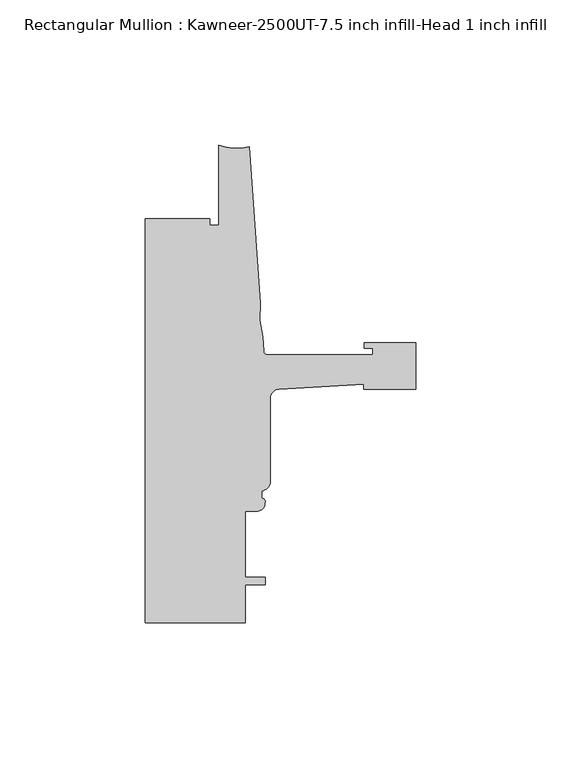
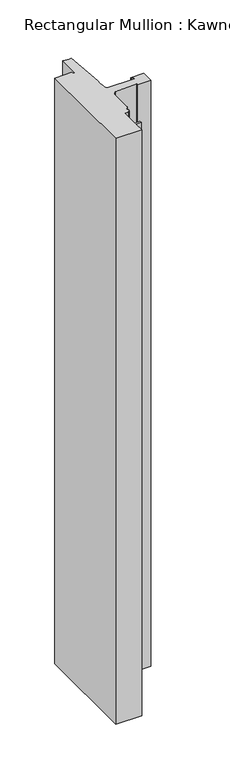
"""IFC4 building model written with IfcOpenShell, lengths in millimetres: member geometry, Rectangular Mullion : Kawneer-2500UT-7.5 inch infill-Head 1 inch infill."""

from ifc_helpers import new_model, si_unit, point, frame, frame_2d, origin, place, context, project, spatial, polyline, circle_curve, trimmed, segment, composite_curve, outline, extrude, source, transform, mapped, element, save


def rectangular_mullion_kawneer_2500ut_7_5_inch_infill_head_1_e42125c7(model_context):
    return source(origin(), model_context, "Body", "SweptSolid", [
        extrude(outline(composite_curve([segment(polyline([(-17.9118541, -107.8206423), (-47.0897067, -109.5596926)]), True, "CONTINUOUS"), segment(trimmed(circle_curve(frame_2d((-46.9265, -112.7304951)), 3.175), [point((-47.0897067, -109.5596926))], [point((-50.1015, -112.7304951))], True, "CARTESIAN"), True, "CONTINUOUS"), segment(polyline([(-50.1015, -112.7304951), (-50.1015, -141.4419824)]), True, "CONTINUOUS"), segment(trimmed(circle_curve(frame_2d((-53.2765, -141.4419824)), 3.175), [point((-50.1015, -141.4419824))], [point((-53.0225002, -144.6068061))], False, "CARTESIAN"), True, "CONTINUOUS"), segment(polyline([(-53.0225002, -144.6068061), (-53.0225002, -147.2460704)]), True, "CONTINUOUS"), segment(trimmed(circle_curve(frame_2d((-52.9049287, -148.3079631)), 1.0683816), [point((-53.0225002, -147.2460704))], [point((-51.903048, -148.6790079))], False, "CARTESIAN"), True, "CONTINUOUS"), segment(trimmed(circle_curve(frame_2d((-54.4195002, -149.0240703)), 2.5399999), [point((-51.903048, -148.6790079))], [point((-54.4195002, -151.5640702))], False, "CARTESIAN"), True, "CONTINUOUS"), segment(polyline([(-54.4195002, -151.5640702), (-58.7375, -151.5640702), (-58.7375, -174.4240702), (-51.8795003, -174.4240702), (-51.8795003, -176.9640702), (-58.7375, -176.9640702), (-58.7375, -190.0078694), (-93.2286109, -190.0078694), (-93.2286109, -50.8163219), (-71.0036575, -50.8158694), (-71.0036109, -53.1018694), (-67.8287241, -53.1018694), (-67.8287241, -25.4158694)]), True, "CONTINUOUS"), segment(trimmed(circle_curve(frame_2d((-61.5737839, -9.8827895)), 16.7451739), [point((-67.8287241, -25.4158694))], [point((-57.2987828, -26.073071))], True, "CARTESIAN"), True, "CONTINUOUS"), segment(polyline([(-57.2987828, -26.073071), (-53.5273008, -80.0075277)]), True, "CONTINUOUS"), segment(trimmed(circle_curve(frame_2d((-22.6573046, -83.6360124)), 31.0825122), [point((-53.5273008, -80.0075277))], [point((-52.7218885, -91.5254588))], True, "CARTESIAN"), True, "CONTINUOUS"), segment(polyline([(-52.7218885, -91.5254588), (-52.3871825, -96.3119783)]), True, "CONTINUOUS"), segment(trimmed(circle_curve(frame_2d((-50.8668948, -96.2056694)), 1.524), [point((-52.3871825, -96.3119783))], [point((-50.8668948, -97.7296694))], True, "CARTESIAN"), True, "CONTINUOUS"), segment(polyline([(-50.8668948, -97.7296694), (-14.783487, -97.7296694), (-14.783487, -95.3928693), (-17.6377748, -95.3928693), (-17.6377748, -93.6148693), (0.0, -93.6148693), (0.0, -109.6168692), (-17.9118541, -109.6168692), (-17.9118541, -107.8206423)]), True, "CONTINUOUS")], self_intersect=False)), frame((0.0, 0.0, -819.1500091), z_axis=(0.0, 0.0, 1.0), x_axis=(1.0, 0.0, 0.0)), (0.0, 0.0, 1.0), 819.1500091),
    ])


if __name__ == "__main__":
    model = new_model("IFC4")
    model_context = context("Model", 3, world=origin())
    ifc_project = project(units=[si_unit("LENGTHUNIT", "METRE", prefix="MILLI")], contexts=[model_context])
    site = spatial("IfcSite", under=ifc_project)
    building = spatial("IfcBuilding", under=site)
    placement = place(None, origin())
    rectangular_mullion_kawneer_2500ut_7_5_inch_infill_head_1_shape = rectangular_mullion_kawneer_2500ut_7_5_inch_infill_head_1_e42125c7(model_context)
    element("IfcMember", 1, ObjectType="Rectangular Mullion : Kawneer-2500UT-7.5 inch infill-Head 1 inch infill", at=placement, inside=building, context=model_context, shape_type="MappedRepresentation", body=[
        mapped(rectangular_mullion_kawneer_2500ut_7_5_inch_infill_head_1_shape, transform((0.0, 0.0, 0.0), x_axis=(1.0, 0.0, 0.0), y_axis=(0.0, 1.0, 0.0), z_axis=(0.0, 0.0, 1.0))),
    ])
    save(model, "model.ifc")
